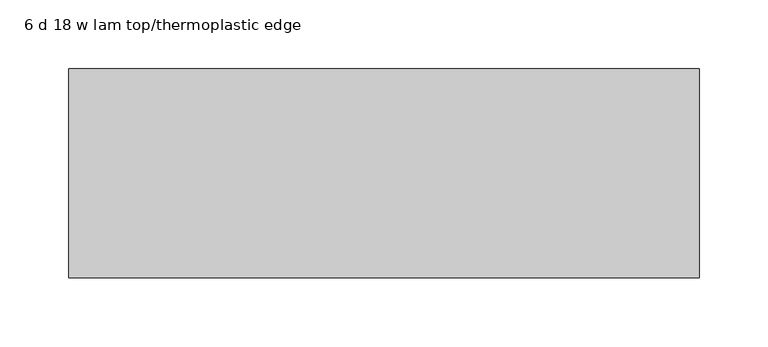
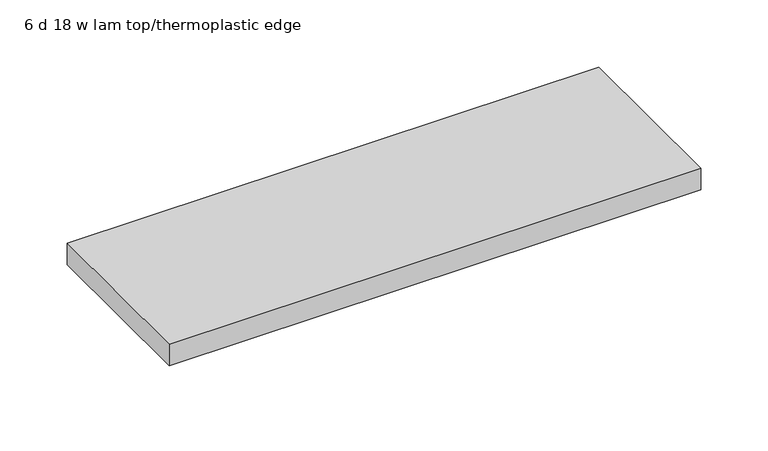
"""IFC4 building model written with IfcOpenShell, lengths in millimetres: furniture geometry, 6 d 18 w lam top/thermoplastic edge."""

from ifc_helpers import new_model, si_unit, frame, origin, place, context, project, spatial, polyline, circle_curve, outline, extrude, source, transform, mapped, element, save
from ifc_brep_helpers import plane_surface, cylinder_surface, advanced_brep


def furniture_6_d_18_w_lam_top_thermoplastic_edge_056776b4(model_context):
    return source(origin(), model_context, "Body", "SolidModel", [
        advanced_brep(
        [(56.9043119, -66.675, 675.8945726), (39.6381329, -66.675, 675.8945726), (38.1, -65.1368671, 675.8945726), (38.1, 65.1368671, 675.8945726), (39.6381329, 66.675, 675.8945726), (56.9043119, 66.675, 675.8945726), (58.4199988, 65.1593131, 675.8945726), (58.4199988, -65.1593131, 675.8945726), (45.2146502, 53.5088115, 675.8945726), (45.2146502, 39.4551862, 675.8945726), (51.3053486, 39.4551862, 675.8945726), (51.3053486, 53.5088115, 675.8945726), (45.2146502, -53.5088115, 675.8945726), (51.3053486, -53.5088115, 675.8945726), (51.3053486, -39.4551862, 675.8945726), (45.2146502, -39.4551862, 675.8945726), (38.3203123, 7.5906778, 675.8945726), (38.3203123, -7.5906778, 675.8945726), (58.1814005, -7.5906778, 675.8945726), (58.1814005, 7.5906778, 675.8945726), (56.9043119, -66.675, 682.2446211), (58.4199988, -65.1593131, 682.2446211), (58.4199988, 65.1593131, 682.2446211), (56.9043119, 66.675, 682.2446211), (39.6381329, 66.675, 682.2446211), (38.1, 65.1368671, 682.2446211), (38.1, -65.1368671, 682.2446211), (39.6381329, -66.675, 682.2446211), (45.2146502, 53.5088115, 665.9945955), (51.3053486, 53.5088115, 665.9945955), (51.3053486, 39.4551862, 665.9945955), (45.2146502, 39.4551862, 665.9945955), (45.2146502, -53.5088115, 665.9945955), (45.2146502, -39.4551862, 665.9945955), (51.3053486, -39.4551862, 665.9945955), (51.3053486, -53.5088115, 665.9945955), (38.3203123, 6.8479071, 667.9597372), (38.3203123, 5.8485166, 666.9946072), (38.3203123, -5.8485166, 666.9946072), (38.3203123, -6.8479071, 667.9597372), (38.3203123, -7.1081491, 675.412044), (38.3203123, 7.1081491, 675.412044), (58.1814005, 6.8479071, 667.9597372), (58.1814005, 7.1081491, 675.412044), (58.1814005, -7.1081491, 675.412044), (58.1814005, -6.8479071, 667.9597372), (58.1814005, -5.8485166, 666.9946072), (58.1814005, 5.8485166, 666.9946072)],
        [
            (0, 1),
            (1, 2, circle_curve(frame((39.6381329, -65.1368671, 675.8945726), z_axis=(0.0, 0.0, -1.0), x_axis=(-1.0, 0.0, 0.0)), 1.5381329)),
            (2, 3),
            (3, 4, circle_curve(frame((39.6381329, 65.1368671, 675.8945726), z_axis=(0.0, 0.0, -1.0), x_axis=(-1.0, 0.0, 0.0)), 1.5381329)),
            (4, 5),
            (5, 6, circle_curve(frame((56.9043119, 65.1593131, 675.8945726), z_axis=(0.0, 0.0, -1.0), x_axis=(-1.0, 0.0, 0.0)), 1.5156869)),
            (6, 7),
            (7, 0, circle_curve(frame((56.9043119, -65.1593131, 675.8945726), z_axis=(0.0, 0.0, -1.0), x_axis=(-1.0, 0.0, 0.0)), 1.5156869)),
            (8, 9, circle_curve(frame((48.2600014, 46.4819988, 675.8945726), z_axis=(0.0, 0.0, 1.0), x_axis=(-1.0, 0.0, 0.0)), 7.6583457)),
            (9, 10),
            (10, 11, circle_curve(frame((48.2599974, 46.4819988, 675.8945726), z_axis=(0.0, 0.0, 1.0), x_axis=(-1.0, 0.0, 0.0)), 7.6583457)),
            (11, 8),
            (12, 13),
            (13, 14, circle_curve(frame((48.2599974, -46.4819988, 675.8945726), z_axis=(0.0, 0.0, 1.0), x_axis=(-1.0, 0.0, 0.0)), 7.6583457)),
            (14, 15),
            (15, 12, circle_curve(frame((48.2600014, -46.4819988, 675.8945726), z_axis=(0.0, 0.0, 1.0), x_axis=(-1.0, 0.0, 0.0)), 7.6583457)),
            (16, 17),
            (17, 18),
            (18, 19),
            (19, 16),
            (20, 21, circle_curve(frame((56.9043119, -65.1593131, 682.2446211), z_axis=(0.0, 0.0, 1.0), x_axis=(-1.0, 0.0, 0.0)), 1.5156869)),
            (21, 22),
            (22, 23, circle_curve(frame((56.9043119, 65.1593131, 682.2446211), z_axis=(0.0, 0.0, 1.0), x_axis=(-1.0, 0.0, 0.0)), 1.5156869)),
            (23, 24),
            (24, 25, circle_curve(frame((39.6381329, 65.1368671, 682.2446211), z_axis=(0.0, 0.0, 1.0), x_axis=(-1.0, 0.0, 0.0)), 1.5381329)),
            (25, 26),
            (26, 27, circle_curve(frame((39.6381329, -65.1368671, 682.2446211), z_axis=(0.0, 0.0, 1.0), x_axis=(-1.0, 0.0, 0.0)), 1.5381329)),
            (27, 20),
            (7, 21),
            (20, 0),
            (6, 22),
            (5, 23),
            (4, 24),
            (3, 25),
            (2, 26),
            (1, 27),
            (28, 29),
            (29, 30, circle_curve(frame((48.2599974, 46.4819988, 665.9945955), z_axis=(0.0, 0.0, -1.0), x_axis=(-1.0, 0.0, 0.0)), 7.6583457)),
            (30, 31),
            (31, 28, circle_curve(frame((48.2600014, 46.4819988, 665.9945955), z_axis=(0.0, 0.0, -1.0), x_axis=(-1.0, 0.0, 0.0)), 7.6583457)),
            (32, 33, circle_curve(frame((48.2600014, -46.4819988, 665.9945955), z_axis=(0.0, 0.0, -1.0), x_axis=(-1.0, 0.0, 0.0)), 7.6583457)),
            (33, 34),
            (34, 35, circle_curve(frame((48.2599974, -46.4819988, 665.9945955), z_axis=(0.0, 0.0, -1.0), x_axis=(-1.0, 0.0, 0.0)), 7.6583457)),
            (35, 32),
            (31, 9),
            (8, 28),
            (30, 10),
            (29, 11),
            (35, 13),
            (12, 32),
            (34, 14),
            (33, 15),
            (36, 37),
            (37, 38),
            (38, 39),
            (39, 40),
            (40, 17),
            (16, 41),
            (41, 36),
            (42, 43),
            (43, 19),
            (18, 44),
            (44, 45),
            (45, 46),
            (46, 47),
            (47, 42),
            (36, 42),
            (47, 37),
            (46, 38),
            (45, 39),
            (44, 40),
            (43, 41),
        ],
        [
            plane_surface(frame((55.388625, -65.1593131, 675.8945726), z_axis=(0.0, 0.0, -1.0), x_axis=(0.0, 1.0, 0.0))),
            plane_surface(frame((55.388625, -65.1593131, 682.2446211), z_axis=(0.0, 0.0, 1.0), x_axis=(0.0, -1.0, 0.0))),
            cylinder_surface(frame((56.9043119, -65.1593131, 675.8945726), z_axis=(0.0, 0.0, 1.0), x_axis=(-1.0, 0.0, 0.0)), 1.5156869),
            plane_surface(frame((58.4199988, -65.1593131, 682.2446211), z_axis=(1.0, 0.0, 0.0), x_axis=(0.0, 0.0, -1.0))),
            cylinder_surface(frame((56.9043119, 65.1593131, 675.8945726), z_axis=(0.0, 0.0, 1.0), x_axis=(-1.0, 0.0, 0.0)), 1.5156869),
            plane_surface(frame((56.9043119, 66.675, 682.2446211), z_axis=(0.0, 1.0, 0.0), x_axis=(0.0, 0.0, -1.0))),
            cylinder_surface(frame((39.6381329, 65.1368671, 675.8945726), z_axis=(0.0, 0.0, 1.0), x_axis=(-1.0, 0.0, 0.0)), 1.5381329),
            plane_surface(frame((38.1, 65.1368671, 682.2446211), z_axis=(-1.0, 0.0, 0.0), x_axis=(0.0, 0.0, -1.0))),
            cylinder_surface(frame((39.6381329, -65.1368671, 675.8945726), z_axis=(0.0, 0.0, 1.0), x_axis=(-1.0, 0.0, 0.0)), 1.5381329),
            plane_surface(frame((39.6381329, -66.675, 682.2446211), z_axis=(0.0, -1.0, 0.0), x_axis=(0.0, 0.0, -1.0))),
            plane_surface(frame((40.6016556, 46.4819988, 665.9945955), z_axis=(0.0, 0.0, -1.0), x_axis=(0.0, 1.0, 0.0))),
            cylinder_surface(frame((48.2600014, 46.4819988, 665.9945955), z_axis=(0.0, 0.0, 1.0), x_axis=(-1.0, 0.0, 0.0)), 7.6583457),
            plane_surface(frame((45.2146502, 39.4551862, 682.2446211), z_axis=(0.0, -1.0, 0.0), x_axis=(0.0, 0.0, -1.0))),
            cylinder_surface(frame((48.2599974, 46.4819988, 665.9945955), z_axis=(0.0, 0.0, 1.0), x_axis=(-1.0, 0.0, 0.0)), 7.6583457),
            plane_surface(frame((51.3053486, 53.5088115, 682.2446211), z_axis=(0.0, 1.0, 0.0), x_axis=(0.0, 0.0, -1.0))),
            plane_surface(frame((45.2146502, -53.5088115, 682.2446211), z_axis=(0.0, -1.0, 0.0), x_axis=(0.0, 0.0, -1.0))),
            cylinder_surface(frame((48.2599974, -46.4819988, 682.2446211), z_axis=(0.0, 0.0, 1.0), x_axis=(-1.0, 0.0, 0.0)), 7.6583457),
            plane_surface(frame((51.3053486, -39.4551862, 682.2446211), z_axis=(0.0, 1.0, 0.0), x_axis=(0.0, 0.0, -1.0))),
            cylinder_surface(frame((48.2600014, -46.4819988, 682.2446211), z_axis=(0.0, 0.0, 1.0), x_axis=(-1.0, 0.0, 0.0)), 7.6583457),
            plane_surface(frame((38.3203123, 5.8485166, 666.9946072), z_axis=(-1.0, 0.0, 0.0), x_axis=(0.0, -0.7193290739324713, -0.6946694778061387))),
            plane_surface(frame((58.1814005, 5.8485166, 666.9946072), z_axis=(1.0, 0.0, 0.0), x_axis=(0.0, 0.7193290739324713, 0.6946694778061387))),
            plane_surface(frame((38.3203123, 6.8479071, 667.9597372), z_axis=(0.0, 0.6946694778061387, -0.7193290739324713), x_axis=(1.0, 0.0, 0.0))),
            plane_surface(frame((38.3203123, 5.8485166, 666.9946072), z_axis=(0.0, 0.0, -1.0), x_axis=(1.0, 0.0, 0.0))),
            plane_surface(frame((38.3203123, -5.8485166, 666.9946072), z_axis=(0.0, -0.6946694778061387, -0.7193290739324713), x_axis=(1.0, 0.0, 0.0))),
            plane_surface(frame((38.3203123, -6.8479071, 667.9597372), z_axis=(0.0, -0.9993908190224847, -0.0348997256947267), x_axis=(1.0, 0.0, 0.0))),
            plane_surface(frame((38.3203123, -7.1081491, 675.412044), z_axis=(0.0, -0.7071067811865376, -0.7071067811865576), x_axis=(1.0, 0.0, 0.0))),
            plane_surface(frame((38.3203123, 8.0809822, 676.384877), z_axis=(0.0, 0.7071067811865414, -0.7071067811865537), x_axis=(1.0, 0.0, 0.0))),
            plane_surface(frame((38.3203123, 7.1081491, 675.412044), z_axis=(0.0, 0.9993908190224848, -0.034899725694726644), x_axis=(1.0, 0.0, 0.0))),
        ],
        [
            (0, [[1, 2, 3, 4, 5, 6, 7, 8], [9, 10, 11, 12], [13, 14, 15, 16], [17, 18, 19, 20]]),
            (1, [[21, 22, 23, 24, 25, 26, 27, 28]]),
            (2, [[-8, 29, -21, 30]]),
            (3, [[-7, 31, -22, -29]]),
            (4, [[-6, 32, -23, -31]]),
            (5, [[-5, 33, -24, -32]]),
            (6, [[-4, 34, -25, -33]]),
            (7, [[-3, 35, -26, -34]]),
            (8, [[-2, 36, -27, -35]]),
            (9, [[-1, -30, -28, -36]]),
            (10, [[37, 38, 39, 40]]),
            (10, [[41, 42, 43, 44]]),
            (11, [[-40, 45, -9, 46]]),
            (12, [[-39, 47, -10, -45]]),
            (13, [[-38, 48, -11, -47]]),
            (14, [[-37, -46, -12, -48]]),
            (15, [[-44, 49, -13, 50]]),
            (16, [[-43, 51, -14, -49]]),
            (17, [[-42, 52, -15, -51]]),
            (18, [[-41, -50, -16, -52]]),
            (19, [[53, 54, 55, 56, 57, -17, 58, 59]]),
            (20, [[60, 61, -19, 62, 63, 64, 65, 66]]),
            (21, [[-53, 67, -66, 68]]),
            (22, [[-54, -68, -65, 69]]),
            (23, [[-55, -69, -64, 70]]),
            (24, [[-56, -70, -63, 71]]),
            (25, [[-71, -62, -18, -57]]),
            (26, [[72, -58, -20, -61]]),
            (27, [[-59, -72, -60, -67]]),
        ],
    ),
        advanced_brep(
        [(400.2956881, -66.675, 675.8945726), (398.7800012, -65.1593131, 675.8945726), (398.7800012, 65.1593131, 675.8945726), (400.2956881, 66.675, 675.8945726), (417.5618671, 66.675, 675.8945726), (419.1, 65.1368671, 675.8945726), (419.1, -65.1368671, 675.8945726), (417.5618671, -66.675, 675.8945726), (411.9853498, 53.5088115, 675.8945726), (405.8946514, 53.5088115, 675.8945726), (405.8946514, 39.4551862, 675.8945726), (411.9853498, 39.4551862, 675.8945726), (411.9853498, -53.5088115, 675.8945726), (411.9853498, -39.4551862, 675.8945726), (405.8946514, -39.4551862, 675.8945726), (405.8946514, -53.5088115, 675.8945726), (418.8796877, -7.5906778, 675.8945726), (418.8796877, 7.5906778, 675.8945726), (399.0185995, 7.5906778, 675.8945726), (399.0185995, -7.5906778, 675.8945726), (400.2956881, -66.675, 682.2446211), (417.5618671, -66.675, 682.2446211), (419.1, -65.1368671, 682.2446211), (419.1, 65.1368671, 682.2446211), (417.5618671, 66.675, 682.2446211), (400.2956881, 66.675, 682.2446211), (398.7800012, 65.1593131, 682.2446211), (398.7800012, -65.1593131, 682.2446211), (411.9853498, 53.5088115, 665.9945955), (411.9853498, 39.4551862, 665.9945955), (405.8946514, 39.4551862, 665.9945955), (405.8946514, 53.5088115, 665.9945955), (411.9853498, -53.5088115, 665.9945955), (405.8946514, -53.5088115, 665.9945955), (405.8946514, -39.4551862, 665.9945955), (411.9853498, -39.4551862, 665.9945955), (418.8796877, 6.8479071, 667.9597372), (418.8796877, 7.1081491, 675.412044), (418.8796877, -7.1081491, 675.412044), (418.8796877, -6.8479071, 667.9597372), (418.8796877, -5.8485166, 666.9946072), (418.8796877, 5.8485166, 666.9946072), (399.0185995, 6.8479071, 667.9597372), (399.0185995, 5.8485166, 666.9946072), (399.0185995, -5.8485166, 666.9946072), (399.0185995, -6.8479071, 667.9597372), (399.0185995, -7.1081491, 675.412044), (399.0185995, 7.1081491, 675.412044)],
        [
            (0, 1, circle_curve(frame((400.2956881, -65.1593131, 675.8945726), z_axis=(0.0, 0.0, -1.0), x_axis=(-1.0, 0.0, 0.0)), 1.5156869)),
            (1, 2),
            (2, 3, circle_curve(frame((400.2956881, 65.1593131, 675.8945726), z_axis=(0.0, 0.0, -1.0), x_axis=(-1.0, 0.0, 0.0)), 1.5156869)),
            (3, 4),
            (4, 5, circle_curve(frame((417.5618671, 65.1368671, 675.8945726), z_axis=(0.0, 0.0, -1.0), x_axis=(-1.0, 0.0, 0.0)), 1.5381329)),
            (5, 6),
            (6, 7, circle_curve(frame((417.5618671, -65.1368671, 675.8945726), z_axis=(0.0, 0.0, -1.0), x_axis=(-1.0, 0.0, 0.0)), 1.5381329)),
            (7, 0),
            (8, 9),
            (9, 10, circle_curve(frame((408.9400026, 46.4819988, 675.8945726), z_axis=(0.0, 0.0, 1.0), x_axis=(-1.0, 0.0, 0.0)), 7.6583457)),
            (10, 11),
            (11, 8, circle_curve(frame((408.9399986, 46.4819988, 675.8945726), z_axis=(0.0, 0.0, 1.0), x_axis=(-1.0, 0.0, 0.0)), 7.6583457)),
            (12, 13, circle_curve(frame((408.9399986, -46.4819988, 675.8945726), z_axis=(0.0, 0.0, 1.0), x_axis=(-1.0, 0.0, 0.0)), 7.6583457)),
            (13, 14),
            (14, 15, circle_curve(frame((408.9400026, -46.4819988, 675.8945726), z_axis=(0.0, 0.0, 1.0), x_axis=(-1.0, 0.0, 0.0)), 7.6583457)),
            (15, 12),
            (16, 17),
            (17, 18),
            (18, 19),
            (19, 16),
            (20, 21),
            (21, 22, circle_curve(frame((417.5618671, -65.1368671, 682.2446211), z_axis=(0.0, 0.0, 1.0), x_axis=(-1.0, 0.0, 0.0)), 1.5381329)),
            (22, 23),
            (23, 24, circle_curve(frame((417.5618671, 65.1368671, 682.2446211), z_axis=(0.0, 0.0, 1.0), x_axis=(-1.0, 0.0, 0.0)), 1.5381329)),
            (24, 25),
            (25, 26, circle_curve(frame((400.2956881, 65.1593131, 682.2446211), z_axis=(0.0, 0.0, 1.0), x_axis=(-1.0, 0.0, 0.0)), 1.5156869)),
            (26, 27),
            (27, 20, circle_curve(frame((400.2956881, -65.1593131, 682.2446211), z_axis=(0.0, 0.0, 1.0), x_axis=(-1.0, 0.0, 0.0)), 1.5156869)),
            (7, 21),
            (20, 0),
            (6, 22),
            (5, 23),
            (4, 24),
            (3, 25),
            (2, 26),
            (1, 27),
            (28, 29, circle_curve(frame((408.9399986, 46.4819988, 665.9945955), z_axis=(0.0, 0.0, -1.0), x_axis=(-1.0, 0.0, 0.0)), 7.6583457)),
            (29, 30),
            (30, 31, circle_curve(frame((408.9400026, 46.4819988, 665.9945955), z_axis=(0.0, 0.0, -1.0), x_axis=(-1.0, 0.0, 0.0)), 7.6583457)),
            (31, 28),
            (32, 33),
            (33, 34, circle_curve(frame((408.9400026, -46.4819988, 665.9945955), z_axis=(0.0, 0.0, -1.0), x_axis=(-1.0, 0.0, 0.0)), 7.6583457)),
            (34, 35),
            (35, 32, circle_curve(frame((408.9399986, -46.4819988, 665.9945955), z_axis=(0.0, 0.0, -1.0), x_axis=(-1.0, 0.0, 0.0)), 7.6583457)),
            (31, 9),
            (8, 28),
            (30, 10),
            (29, 11),
            (35, 13),
            (12, 32),
            (34, 14),
            (33, 15),
            (36, 37),
            (37, 17),
            (16, 38),
            (38, 39),
            (39, 40),
            (40, 41),
            (41, 36),
            (42, 43),
            (43, 44),
            (44, 45),
            (45, 46),
            (46, 19),
            (18, 47),
            (47, 42),
            (41, 43),
            (42, 36),
            (40, 44),
            (39, 45),
            (38, 46),
            (37, 47),
        ],
        [
            plane_surface(frame((55.388625, -65.1593131, 675.8945726), z_axis=(0.0, 0.0, -1.0), x_axis=(0.0, 1.0, 0.0))),
            plane_surface(frame((55.388625, -65.1593131, 682.2446211), z_axis=(0.0, 0.0, 1.0), x_axis=(0.0, -1.0, 0.0))),
            plane_surface(frame((400.2956881, -66.675, 682.2446211), z_axis=(0.0, -1.0, 0.0), x_axis=(0.0, 0.0, -1.0))),
            cylinder_surface(frame((417.5618671, -65.1368671, 682.2446211), z_axis=(0.0, 0.0, 1.0), x_axis=(-1.0, 0.0, 0.0)), 1.5381329),
            plane_surface(frame((419.1, -65.1368671, 682.2446211), z_axis=(1.0, 0.0, 0.0), x_axis=(0.0, 0.0, -1.0))),
            cylinder_surface(frame((417.5618671, 65.1368671, 682.2446211), z_axis=(0.0, 0.0, 1.0), x_axis=(-1.0, 0.0, 0.0)), 1.5381329),
            plane_surface(frame((417.5618671, 66.675, 682.2446211), z_axis=(0.0, 1.0, 0.0), x_axis=(0.0, 0.0, -1.0))),
            cylinder_surface(frame((400.2956881, 65.1593131, 682.2446211), z_axis=(0.0, 0.0, 1.0), x_axis=(-1.0, 0.0, 0.0)), 1.5156869),
            plane_surface(frame((398.7800012, 65.1593131, 682.2446211), z_axis=(-1.0, 0.0, 0.0), x_axis=(0.0, 0.0, -1.0))),
            cylinder_surface(frame((400.2956881, -65.1593131, 682.2446211), z_axis=(0.0, 0.0, 1.0), x_axis=(-1.0, 0.0, 0.0)), 1.5156869),
            plane_surface(frame((40.6016556, 46.4819988, 665.9945955), z_axis=(0.0, 0.0, -1.0), x_axis=(0.0, 1.0, 0.0))),
            plane_surface(frame((411.9853498, 53.5088115, 682.2446211), z_axis=(0.0, 1.0, 0.0), x_axis=(0.0, 0.0, -1.0))),
            cylinder_surface(frame((408.9400026, 46.4819988, 682.2446211), z_axis=(0.0, 0.0, 1.0), x_axis=(-1.0, 0.0, 0.0)), 7.6583457),
            plane_surface(frame((405.8946514, 39.4551862, 682.2446211), z_axis=(0.0, -1.0, 0.0), x_axis=(0.0, 0.0, -1.0))),
            cylinder_surface(frame((408.9399986, 46.4819988, 682.2446211), z_axis=(0.0, 0.0, 1.0), x_axis=(-1.0, 0.0, 0.0)), 7.6583457),
            cylinder_surface(frame((408.9399986, -46.4819988, 682.2446211), z_axis=(0.0, 0.0, 1.0), x_axis=(-1.0, 0.0, 0.0)), 7.6583457),
            plane_surface(frame((411.9853498, -39.4551862, 682.2446211), z_axis=(0.0, 1.0, 0.0), x_axis=(0.0, 0.0, -1.0))),
            cylinder_surface(frame((408.9400026, -46.4819988, 682.2446211), z_axis=(0.0, 0.0, 1.0), x_axis=(-1.0, 0.0, 0.0)), 7.6583457),
            plane_surface(frame((405.8946514, -53.5088115, 682.2446211), z_axis=(0.0, -1.0, 0.0), x_axis=(0.0, 0.0, -1.0))),
            plane_surface(frame((418.8796877, 7.1081491, 675.412044), z_axis=(1.0000000000000002, 0.0, 0.0), x_axis=(0.0, 0.034899725694726644, 0.9993908190224848))),
            plane_surface(frame((399.0185995, 7.1081491, 675.412044), z_axis=(-1.0000000000000002, 0.0, 0.0), x_axis=(0.0, -0.034899725694726644, -0.9993908190224848))),
            plane_surface(frame((418.8796877, 5.8485166, 666.9946072), z_axis=(0.0, 0.6946694778061387, -0.7193290739324713), x_axis=(-1.0, 0.0, 0.0))),
            plane_surface(frame((418.8796877, -5.8485166, 666.9946072), z_axis=(0.0, 0.0, -1.0), x_axis=(-1.0, 0.0, 0.0))),
            plane_surface(frame((418.8796877, -6.8479071, 667.9597372), z_axis=(0.0, -0.6946694778061387, -0.7193290739324713), x_axis=(-1.0, 0.0, 0.0))),
            plane_surface(frame((418.8796877, -7.1081491, 675.412044), z_axis=(0.0, -0.9993908190224847, -0.0348997256947267), x_axis=(-1.0, 0.0, 0.0))),
            plane_surface(frame((418.8796877, -8.0809822, 676.384877), z_axis=(0.0, -0.7071067811865376, -0.7071067811865576), x_axis=(-1.0, 0.0, 0.0))),
            plane_surface(frame((418.8796877, 7.1081491, 675.412044), z_axis=(0.0, 0.7071067811865376, -0.7071067811865576), x_axis=(-1.0, 0.0, 0.0))),
            plane_surface(frame((418.8796877, 6.8479071, 667.9597372), z_axis=(0.0, 0.9993908190224848, -0.034899725694726644), x_axis=(-1.0, 0.0, 0.0))),
        ],
        [
            (0, [[1, 2, 3, 4, 5, 6, 7, 8], [9, 10, 11, 12], [13, 14, 15, 16], [17, 18, 19, 20]]),
            (1, [[21, 22, 23, 24, 25, 26, 27, 28]]),
            (2, [[-8, 29, -21, 30]]),
            (3, [[-7, 31, -22, -29]]),
            (4, [[-6, 32, -23, -31]]),
            (5, [[-5, 33, -24, -32]]),
            (6, [[-4, 34, -25, -33]]),
            (7, [[-3, 35, -26, -34]]),
            (8, [[-2, 36, -27, -35]]),
            (9, [[-1, -30, -28, -36]]),
            (10, [[37, 38, 39, 40]]),
            (10, [[41, 42, 43, 44]]),
            (11, [[-40, 45, -9, 46]]),
            (12, [[-39, 47, -10, -45]]),
            (13, [[-38, 48, -11, -47]]),
            (14, [[-37, -46, -12, -48]]),
            (15, [[-44, 49, -13, 50]]),
            (16, [[-43, 51, -14, -49]]),
            (17, [[-42, 52, -15, -51]]),
            (18, [[-41, -50, -16, -52]]),
            (19, [[53, 54, -17, 55, 56, 57, 58, 59]]),
            (20, [[60, 61, 62, 63, 64, -19, 65, 66]]),
            (21, [[-59, 67, -60, 68]]),
            (22, [[-58, 69, -61, -67]]),
            (23, [[-57, 70, -62, -69]]),
            (24, [[-56, 71, -63, -70]]),
            (25, [[-71, -55, -20, -64]]),
            (26, [[72, -65, -18, -54]]),
            (27, [[-53, -68, -66, -72]]),
        ],
    ),
        extrude(outline(polyline([(457.2, 75.8199996), (457.2, -75.8199996), (0.0, -75.8199996), (0.0, 75.8199996), (457.2, 75.8199996)])), frame((0.0, 0.0, 682.2446211), z_axis=(0.0, 0.0, 1.0), x_axis=(1.0, 0.0, 0.0)), (0.0, 0.0, 1.0), 19.3039816),
    ])


if __name__ == "__main__":
    model = new_model("IFC4")
    model_context = context("Model", 3, world=origin())
    ifc_project = project(units=[si_unit("LENGTHUNIT", "METRE", prefix="MILLI")], contexts=[model_context])
    site = spatial("IfcSite", under=ifc_project)
    building = spatial("IfcBuilding", under=site)
    placement = place(None, origin())
    furniture_6_d_18_w_lam_top_thermoplastic_edge_shape = furniture_6_d_18_w_lam_top_thermoplastic_edge_056776b4(model_context)
    element("IfcFurniture", 1, ObjectType="6 d 18 w lam top/thermoplastic edge", at=placement, inside=building, context=model_context, shape_type="MappedRepresentation", body=[
        mapped(furniture_6_d_18_w_lam_top_thermoplastic_edge_shape, transform((0.0, 0.0, 0.0), x_axis=(1.0, 0.0, 0.0), y_axis=(0.0, 1.0, 0.0), z_axis=(0.0, 0.0, 1.0))),
    ])
    save(model, "model.ifc")
